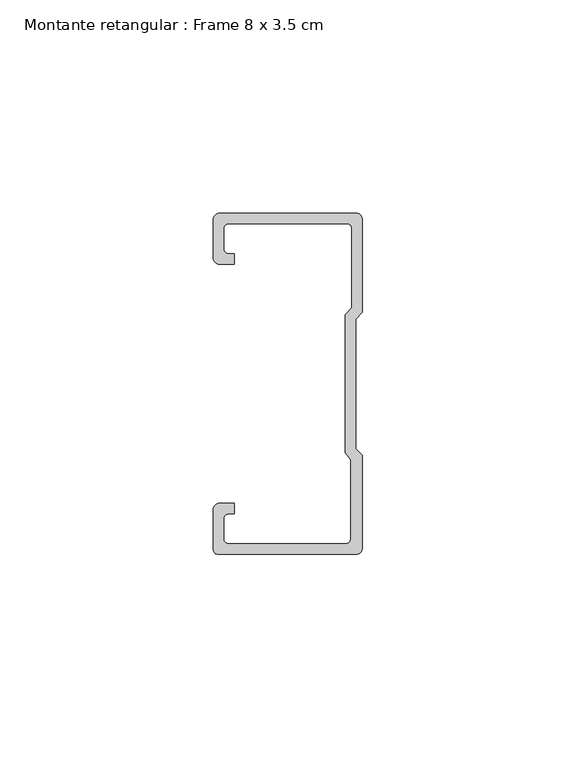
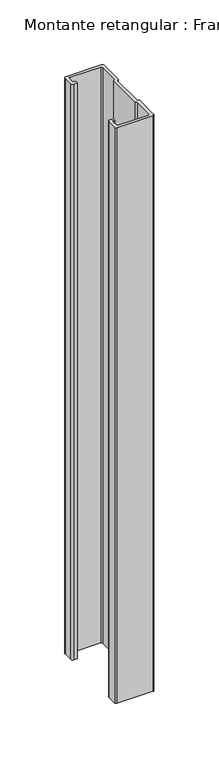
"""IFC4 building model written with IfcOpenShell, lengths in millimetres: member geometry, Montante retangular : Frame 8 x 3.5 cm."""

from ifc_helpers import new_model, si_unit, point, frame, frame_2d, origin, place, context, project, spatial, polyline, circle_curve, trimmed, segment, composite_curve, outline, extrude, source, transform, mapped, element, save


def montante_retangular_frame_8_x_3_5_cm_7dc86d56(model_context):
    return source(origin(), model_context, "Body", "SweptSolid", [
        extrude(outline(composite_curve([segment(polyline([(-17.5, 29.5276505), (-17.5, 38.5)]), True, "CONTINUOUS"), segment(trimmed(circle_curve(frame_2d((-16.0, 38.5)), 1.5), [point((-17.5, 38.5))], [point((-16.0, 40.0))], False, "CARTESIAN"), True, "CONTINUOUS"), segment(polyline([(-16.0, 40.0), (16.0, 40.0)]), True, "CONTINUOUS"), segment(trimmed(circle_curve(frame_2d((16.0, 38.5)), 1.5), [point((16.0, 40.0))], [point((17.5, 38.5))], False, "CARTESIAN"), True, "CONTINUOUS"), segment(polyline([(17.5, 38.5), (17.5, 16.7622662), (15.9122869, 15.174553), (15.9122869, -15.174553), (17.5, -16.7622662), (17.5, -38.5)]), True, "CONTINUOUS"), segment(trimmed(circle_curve(frame_2d((16.0, -38.5)), 1.5), [point((17.5, -38.5))], [point((16.0, -40.0))], False, "CARTESIAN"), True, "CONTINUOUS"), segment(polyline([(16.0, -40.0), (-16.3171833, -40.0)]), True, "CONTINUOUS"), segment(trimmed(circle_curve(frame_2d((-16.3171833, -38.8171833)), 1.1828167), [point((-16.3171833, -40.0))], [point((-17.5, -38.8171833))], False, "CARTESIAN"), True, "CONTINUOUS"), segment(polyline([(-17.5, -38.8171833), (-17.5, -29.5276505)]), True, "CONTINUOUS"), segment(trimmed(circle_curve(frame_2d((-16.0, -29.5276505)), 1.5), [point((-17.5, -29.5276505))], [point((-16.0, -28.0276505))], False, "CARTESIAN"), True, "CONTINUOUS"), segment(polyline([(-16.0, -28.0276505), (-12.5162256, -28.0276505), (-12.5162256, -30.5276505), (-14.0, -30.5276505)]), True, "CONTINUOUS"), segment(trimmed(circle_curve(frame_2d((-14.0, -31.5276505)), 1.0), [point((-14.0, -30.5276505))], [point((-15.0, -31.5276505))], True, "CARTESIAN"), True, "CONTINUOUS"), segment(polyline([(-15.0, -31.5276505), (-15.0, -36.5)]), True, "CONTINUOUS"), segment(trimmed(circle_curve(frame_2d((-14.0, -36.5)), 1.0), [point((-15.0, -36.5))], [point((-14.0, -37.5))], True, "CARTESIAN"), True, "CONTINUOUS"), segment(polyline([(-14.0, -37.5), (13.692786, -37.5)]), True, "CONTINUOUS"), segment(trimmed(circle_curve(frame_2d((13.692786, -36.5)), 1.0), [point((13.692786, -37.5))], [point((14.692786, -36.5))], True, "CARTESIAN"), True, "CONTINUOUS"), segment(polyline([(14.692786, -36.5), (14.692786, -17.7671948), (13.4122869, -16.1794816), (13.4122869, 16.2100869), (15.0, 17.7978001), (15.0, 36.5)]), True, "CONTINUOUS"), segment(trimmed(circle_curve(frame_2d((14.0, 36.5)), 1.0), [point((15.0, 36.5))], [point((14.0, 37.5))], True, "CARTESIAN"), True, "CONTINUOUS"), segment(polyline([(14.0, 37.5), (-14.0, 37.5)]), True, "CONTINUOUS"), segment(trimmed(circle_curve(frame_2d((-14.0, 36.5)), 1.0), [point((-14.0, 37.5))], [point((-15.0, 36.5))], True, "CARTESIAN"), True, "CONTINUOUS"), segment(polyline([(-15.0, 36.5), (-15.0, 31.5276505)]), True, "CONTINUOUS"), segment(trimmed(circle_curve(frame_2d((-14.0, 31.5276505)), 1.0), [point((-15.0, 31.5276505))], [point((-14.0, 30.5276505))], True, "CARTESIAN"), True, "CONTINUOUS"), segment(polyline([(-14.0, 30.5276505), (-12.5162256, 30.5276505), (-12.5162256, 28.0276505), (-16.0, 28.0276505)]), True, "CONTINUOUS"), segment(trimmed(circle_curve(frame_2d((-16.0, 29.5276505)), 1.5), [point((-16.0, 28.0276505))], [point((-17.5, 29.5276505))], False, "CARTESIAN"), True, "CONTINUOUS")], self_intersect=False)), frame((0.0, 0.0, -547.5), z_axis=(0.0, 0.0, 1.0), x_axis=(1.0, 0.0, 0.0)), (0.0, 0.0, 1.0), 547.5),
    ])


if __name__ == "__main__":
    model = new_model("IFC4")
    model_context = context("Model", 3, world=origin())
    ifc_project = project(units=[si_unit("LENGTHUNIT", "METRE", prefix="MILLI")], contexts=[model_context])
    site = spatial("IfcSite", under=ifc_project)
    building = spatial("IfcBuilding", under=site)
    placement = place(None, origin())
    montante_retangular_frame_8_x_3_5_cm_shape = montante_retangular_frame_8_x_3_5_cm_7dc86d56(model_context)
    element("IfcMember", 1, ObjectType="Montante retangular : Frame 8 x 3.5 cm", at=placement, inside=building, context=model_context, shape_type="MappedRepresentation", body=[
        mapped(montante_retangular_frame_8_x_3_5_cm_shape, transform((0.0, 0.0, 0.0), x_axis=(1.0, 0.0, 0.0), y_axis=(0.0, 1.0, 0.0), z_axis=(0.0, 0.0, 1.0))),
    ])
    save(model, "model.ifc")
